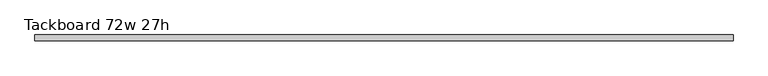
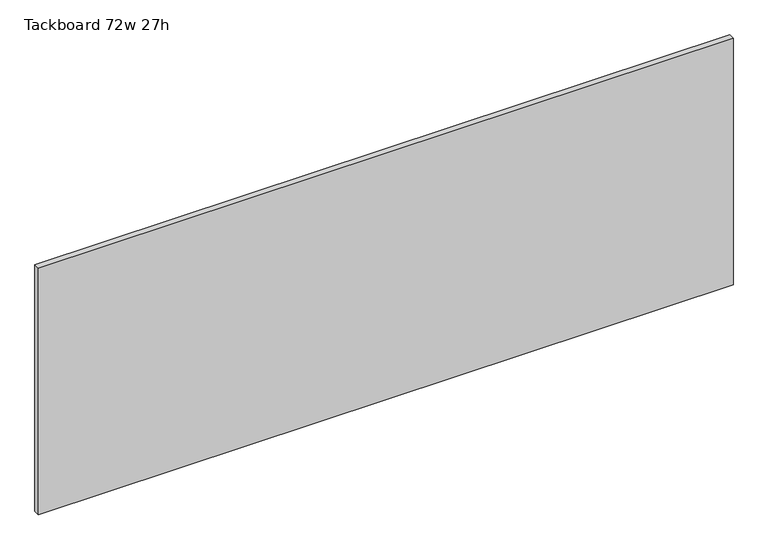
"""IFC4 building model written with IfcOpenShell, lengths in millimetres: furniture geometry, Tackboard 72w 27h."""

from ifc_helpers import new_model, si_unit, frame, origin, place, context, project, spatial, polyline, outline, extrude, source, transform, mapped, element, save


def tackboard_72w_27h_2c4d635f(model_context):
    return source(origin(), model_context, "Body", "SweptSolid", [
        extrude(outline(polyline([(916.8402902, -28.8968594), (-911.9597098, -28.8968594), (-911.9597098, -13.0218594), (916.8402902, -13.0218594), (916.8402902, -28.8968594)])), frame((0.0, 0.0, 1066.8), z_axis=(0.0, 0.0, 1.0), x_axis=(1.0, 0.0, 0.0)), (0.0, 0.0, 1.0), 685.8),
    ])


if __name__ == "__main__":
    model = new_model("IFC4")
    model_context = context("Model", 3, world=origin())
    ifc_project = project(units=[si_unit("LENGTHUNIT", "METRE", prefix="MILLI")], contexts=[model_context])
    site = spatial("IfcSite", under=ifc_project)
    building = spatial("IfcBuilding", under=site)
    placement = place(None, origin())
    tackboard_72w_27h_shape = tackboard_72w_27h_2c4d635f(model_context)
    element("IfcFurniture", 1, ObjectType="Tackboard 72w 27h", at=placement, inside=building, context=model_context, shape_type="MappedRepresentation", body=[
        mapped(tackboard_72w_27h_shape, transform((0.0, 0.0, 0.0), x_axis=(1.0, 0.0, 0.0), y_axis=(0.0, 1.0, 0.0), z_axis=(0.0, 0.0, 1.0))),
    ])
    save(model, "model.ifc")
